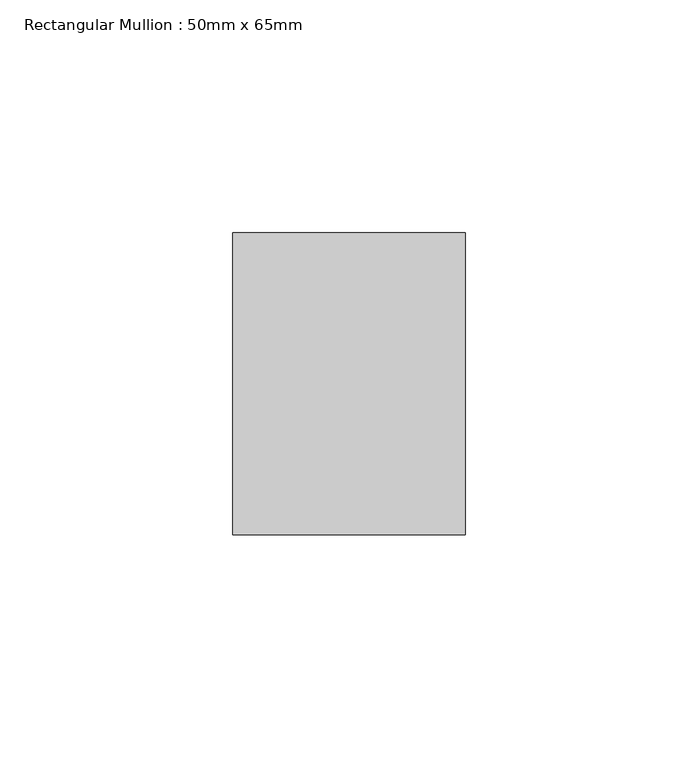
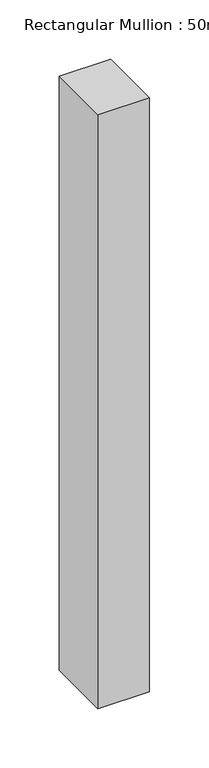
"""IFC4 building model written with IfcOpenShell, lengths in millimetres: member geometry, Rectangular Mullion : 50mm x 65mm."""

from ifc_helpers import new_model, si_unit, frame, origin, place, context, project, spatial, polyline, outline, extrude, source, transform, mapped, element, save


def rectangular_mullion_50mm_x_65mm_7f0be39d(model_context):
    return source(origin(), model_context, "Body", "SweptSolid", [
        extrude(outline(polyline([(25.0, 32.5), (25.0, -32.5), (-25.0, -32.5), (-25.0, 32.5), (25.0, 32.5)])), frame((0.0, 0.0, -610.7644982), z_axis=(0.0, 0.0, 1.0), x_axis=(1.0, 0.0, 0.0)), (0.0, 0.0, 1.0), 610.7644982),
    ])


if __name__ == "__main__":
    model = new_model("IFC4")
    model_context = context("Model", 3, world=origin())
    ifc_project = project(units=[si_unit("LENGTHUNIT", "METRE", prefix="MILLI")], contexts=[model_context])
    site = spatial("IfcSite", under=ifc_project)
    building = spatial("IfcBuilding", under=site)
    placement = place(None, origin())
    rectangular_mullion_50mm_x_65mm_shape = rectangular_mullion_50mm_x_65mm_7f0be39d(model_context)
    element("IfcMember", 1, ObjectType="Rectangular Mullion : 50mm x 65mm", at=placement, inside=building, context=model_context, shape_type="MappedRepresentation", body=[
        mapped(rectangular_mullion_50mm_x_65mm_shape, transform((0.0, 0.0, 0.0), x_axis=(1.0, 0.0, 0.0), y_axis=(0.0, 1.0, 0.0), z_axis=(0.0, 0.0, 1.0))),
    ])
    save(model, "model.ifc")
